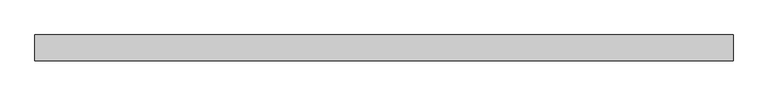
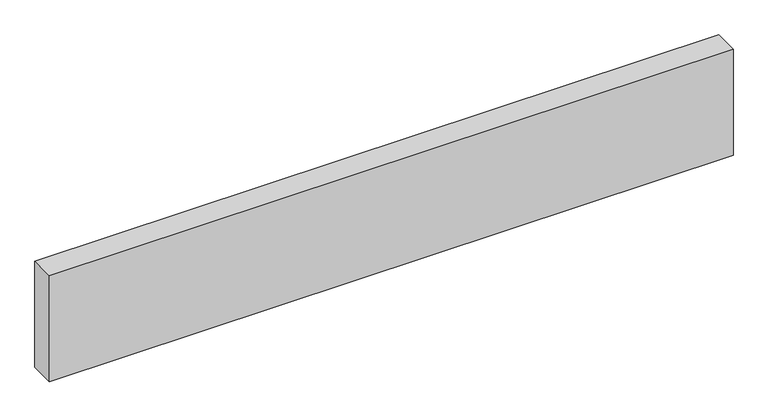
"""IFC4 building model written with IfcOpenShell, lengths in millimetres: beam geometry."""

from ifc_helpers import new_model, si_unit, frame, origin, place, context, project, spatial, polyline, outline, extrude, source, transform, mapped, element, save


def beam_4d201d19(model_context):
    return source(origin(), model_context, "Body", "SweptSolid", [
        extrude(outline(polyline([(-609.6, 22.5), (609.6, 22.5), (609.6, -22.5), (-609.6, -22.5), (-609.6, 22.5)])), frame((0.0, 0.0, -100.0), z_axis=(0.0, 0.0, 1.0), x_axis=(1.0, 0.0, 0.0)), (0.0, 0.0, 1.0), 200.0),
    ])


if __name__ == "__main__":
    model = new_model("IFC4")
    model_context = context("Model", 3, world=origin())
    ifc_project = project(units=[si_unit("LENGTHUNIT", "METRE", prefix="MILLI")], contexts=[model_context])
    site = spatial("IfcSite", under=ifc_project)
    building = spatial("IfcBuilding", under=site)
    placement = place(None, origin())
    beam_shape = beam_4d201d19(model_context)
    element("IfcBeam", 1, at=placement, inside=building, context=model_context, shape_type="MappedRepresentation", body=[
        mapped(beam_shape, transform((0.0, 0.0, 0.0), x_axis=(1.0, 0.0, 0.0), y_axis=(0.0, 1.0, 0.0), z_axis=(0.0, 0.0, 1.0))),
    ])
    save(model, "model.ifc")
